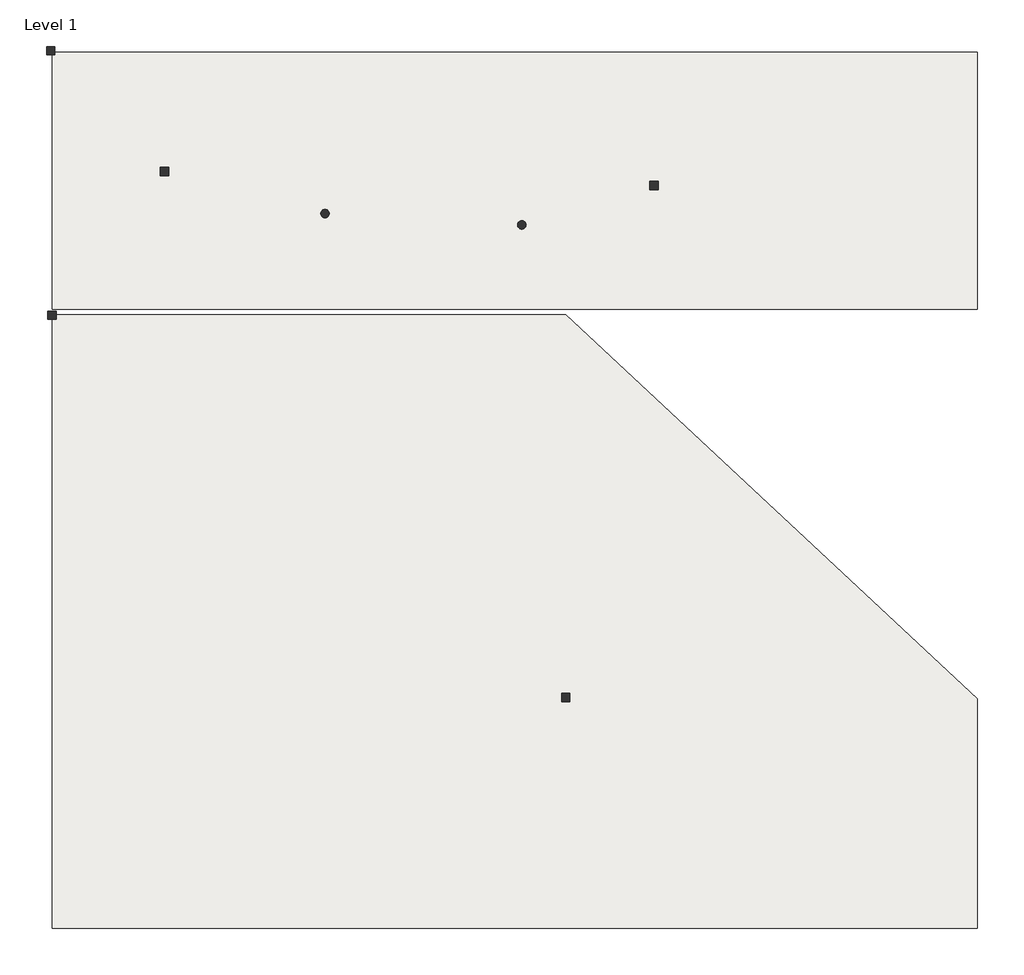
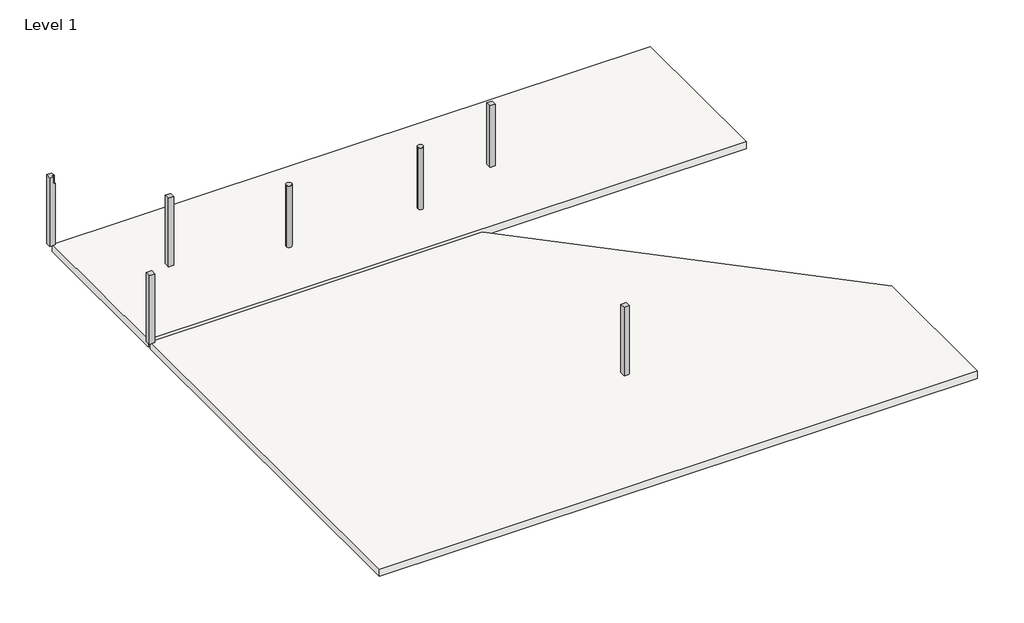
# One storey: 7 columns, 2 slabs.
"""IFC4 building model written with IfcOpenShell, lengths in millimetres."""

from ifc_helpers import new_model, si_unit, point, frame, frame_2d, origin, origin_with_axes, place, context, project, spatial, polyline, circle_curve, trimmed, segment, composite_curve, outline, extrude, faceted_brep, element, save

model = new_model("IFC4")

# Units and contexts
model_context = context("Model", 3, world=origin())
ifc_project = project(units=[si_unit("LENGTHUNIT", "METRE", prefix="MILLI")], contexts=[model_context])

# Site, building, storey
site = spatial("IfcSite", under=ifc_project)
building = spatial("IfcBuilding", under=site)
storey = spatial("IfcBuildingStorey", under=building, Name="Level 1", Elevation=0.0)

# Columns
placement = place(None, origin())
element("IfcColumn", 1, ObjectType="M_Concrete-Round-Column : 300mm", at=placement, inside=storey, context=model_context, shape_type="SweptSolid", body=[
    extrude(outline(composite_curve([segment(trimmed(circle_curve(frame_2d((-8354.3982223, 11313.0330416)), 150.0), [point((-8504.3982223, 11313.0330416))], [point((-8204.3982223, 11313.0330416))], False, "CARTESIAN"), True, "CONTINUOUS"), segment(trimmed(circle_curve(frame_2d((-8354.3982223, 11313.0330416)), 150.0), [point((-8204.3982223, 11313.0330416))], [point((-8504.3982223, 11313.0330416))], False, "CARTESIAN"), True, "CONTINUOUS")], self_intersect=False)), origin_with_axes(), (0.0, 0.0, 1.0), 3588.0),
])
element("IfcColumn", 2, ObjectType="M_Concrete-Round-Column : 300mm", at=placement, inside=storey, context=model_context, shape_type="SweptSolid", body=[
    extrude(outline(composite_curve([segment(trimmed(circle_curve(frame_2d((-1354.3982223, 10913.0330416)), 150.0), [point((-1504.3982223, 10913.0330416))], [point((-1204.3982223, 10913.0330416))], False, "CARTESIAN"), True, "CONTINUOUS"), segment(trimmed(circle_curve(frame_2d((-1354.3982223, 10913.0330416)), 150.0), [point((-1204.3982223, 10913.0330416))], [point((-1504.3982223, 10913.0330416))], False, "CARTESIAN"), True, "CONTINUOUS")], self_intersect=False)), origin_with_axes(), (0.0, 0.0, 1.0), 3588.0),
])
element("IfcColumn", 3, ObjectType="M_Concrete-Square-Column : 300 x 300mm", at=placement, inside=storey, context=model_context, shape_type="SweptSolid", body=[
    extrude(outline(polyline([(-13904.3982223, 12963.0330416), (-13904.3982223, 12663.0330416), (-14204.3982223, 12663.0330416), (-14204.3982223, 12963.0330416), (-13904.3982223, 12963.0330416)])), origin_with_axes(), (0.0, 0.0, 1.0), 4000.0),
])
element("IfcColumn", 4, ObjectType="M_Concrete-Square-Column : 300 x 300mm", at=placement, inside=storey, context=model_context, shape_type="SweptSolid", body=[
    extrude(outline(polyline([(3495.6017777, 12463.0330416), (3495.6017777, 12163.0330416), (3195.6017777, 12163.0330416), (3195.6017777, 12463.0330416), (3495.6017777, 12463.0330416)])), origin_with_axes(), (0.0, 0.0, 1.0), 3588.0),
])
element("IfcColumn", 5, ObjectType="M_Concrete-Square-Column : 300 x 300mm", at=placement, inside=storey, context=model_context, shape_type="Brep", body=[
    faceted_brep([(-17954.3982223, 17253.0330416, 0.0), (-17954.3982223, 16953.0330416, 0.0), (-18254.3982223, 16953.0330416, 0.0), (-18254.3982223, 17253.0330416, 0.0), (-17954.3982223, 17253.0330416, 4000.0), (-17954.3982223, 17053.0330416, 4000.0), (-17954.3982223, 17053.0330416, 3600.0), (-17954.3982223, 16953.0330416, 3600.0), (-18054.3982223, 16953.0330416, 3600.0), (-18054.3982223, 16953.0330416, 4000.0), (-18254.3982223, 16953.0330416, 4000.0), (-18254.3982223, 17253.0330416, 4000.0), (-18054.3982223, 17053.0330416, 4000.0), (-18054.3982223, 17053.0330416, 3600.0)], [[[0, 1, 2, 3]], [[1, 0, 4, 5, 6, 7]], [[2, 1, 7, 8, 9, 10]], [[3, 2, 10, 11]], [[0, 3, 11, 4]], [[11, 10, 9, 12, 5, 4]], [[13, 12, 9, 8]], [[12, 13, 6, 5]], [[13, 8, 7, 6]]]),
])
element("IfcColumn", 6, ObjectType="M_Concrete-Square-Column : 300 x 300mm", at=placement, inside=storey, context=model_context, shape_type="Brep", body=[
    faceted_brep([(356.2107301, -5744.9387246, 0.0), (356.2107301, -6044.9387246, 0.0), (56.2107301, -6044.9387246, 0.0), (56.2107301, -5744.9387246, 0.0), (356.2107301, -5744.9387246, 4000.0), (356.2107301, -6044.9387246, 4000.0), (356.2107301, -6044.9387246, 3200.0), (356.2107301, -5744.9387246, 3200.0), (56.2107301, -6044.9387246, 4000.0), (56.2107301, -6044.9387246, 3200.0), (56.2107301, -5744.9387246, 4000.0), (56.2107301, -5744.9387246, 3200.0)], [[[0, 1, 2, 3]], [[4, 5, 6, 1, 0, 7]], [[5, 8, 9, 2, 1, 6]], [[8, 10, 11, 3, 2, 9]], [[10, 4, 7, 0, 3, 11]], [[4, 10, 8, 5]]]),
])
element("IfcColumn", 7, ObjectType="M_Concrete-Square-Column : 300 x 300mm", at=placement, inside=storey, context=model_context, shape_type="SweptSolid", body=[
    extrude(outline(polyline([(-17904.3982223, 7848.0330416), (-17904.3982223, 7548.0330416), (-18204.3982223, 7548.0330416), (-18204.3982223, 7848.0330416), (-17904.3982223, 7848.0330416)])), origin_with_axes(), (0.0, 0.0, 1.0), 4000.0),
])

# Slabs
element("IfcSlab", 8, ObjectType="Generic Floor - 400mm", at=placement, inside=storey, context=model_context, shape_type="SweptSolid", body=[
    extrude(outline(polyline([(14845.6017777, 17053.0330416), (14845.6017777, 7913.0330416), (-18054.3982223, 7913.0330416), (-18054.3982223, 17053.0330416), (14845.6017777, 17053.0330416)])), frame((0.0, 0.0, -412.0), z_axis=(0.0, 0.0, 1.0), x_axis=(1.0, 0.0, 0.0)), (0.0, 0.0, 1.0), 412.0),
])
element("IfcSlab", 9, ObjectType="Generic Floor - 400mm", at=placement, inside=storey, context=model_context, shape_type="SweptSolid", body=[
    extrude(outline(polyline([(-18054.3982223, 7713.0330416), (206.2107301, 7713.0330416), (14845.6017777, -5938.4199621), (14845.6017777, -14099.9669584), (-18054.3982223, -14099.9669584), (-18054.3982223, 7713.0330416)])), frame((0.0, 0.0, -412.0), z_axis=(0.0, 0.0, 1.0), x_axis=(1.0, 0.0, 0.0)), (0.0, 0.0, 1.0), 412.0),
])

save(model, "model.ifc")
